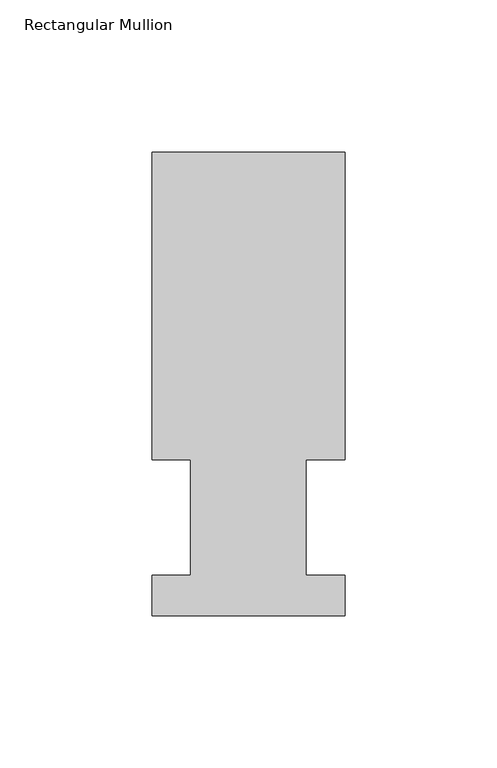
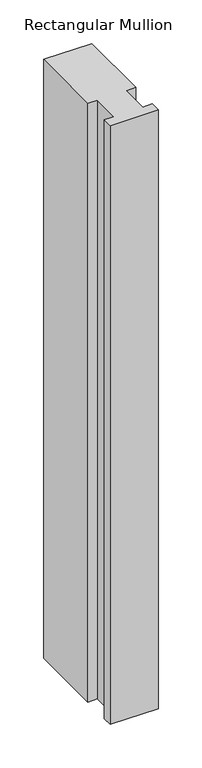
"""IFC4 building model written with IfcOpenShell, lengths in millimetres: member geometry, Rectangular Mullion."""

from ifc_helpers import new_model, si_unit, frame, origin, place, context, project, spatial, polyline, outline, extrude, source, transform, mapped, element, save


def rectangular_mullion_ad1c977f(model_context):
    return source(origin(), model_context, "Body", "SweptSolid", [
        extrude(outline(polyline([(31.7499998, 152.4896938), (31.7499998, 51.2960937), (19.0499994, 51.2960937), (19.0499994, 13.1960938), (31.7499998, 13.1960938), (31.7499998, 0.0134938), (-31.7500002, 0.0134938), (-31.7500002, 13.1960938), (-19.0499998, 13.1960938), (-19.0499998, 51.2960937), (-31.7499998, 51.2960937), (-31.7499998, 152.4896938), (31.7499998, 152.4896938)])), frame((0.0, 0.0, -838.1999996), z_axis=(0.0, 0.0, 1.0), x_axis=(1.0, 0.0, 0.0)), (0.0, 0.0, 1.0), 838.1999996),
    ])


if __name__ == "__main__":
    model = new_model("IFC4")
    model_context = context("Model", 3, world=origin())
    ifc_project = project(units=[si_unit("LENGTHUNIT", "METRE", prefix="MILLI")], contexts=[model_context])
    site = spatial("IfcSite", under=ifc_project)
    building = spatial("IfcBuilding", under=site)
    placement = place(None, origin())
    rectangular_mullion_shape = rectangular_mullion_ad1c977f(model_context)
    element("IfcMember", 1, ObjectType="Rectangular Mullion", at=placement, inside=building, context=model_context, shape_type="MappedRepresentation", body=[
        mapped(rectangular_mullion_shape, transform((0.0, 0.0, 0.0), x_axis=(1.0, 0.0, 0.0), y_axis=(0.0, 1.0, 0.0), z_axis=(0.0, 0.0, 1.0))),
    ])
    save(model, "model.ifc")
